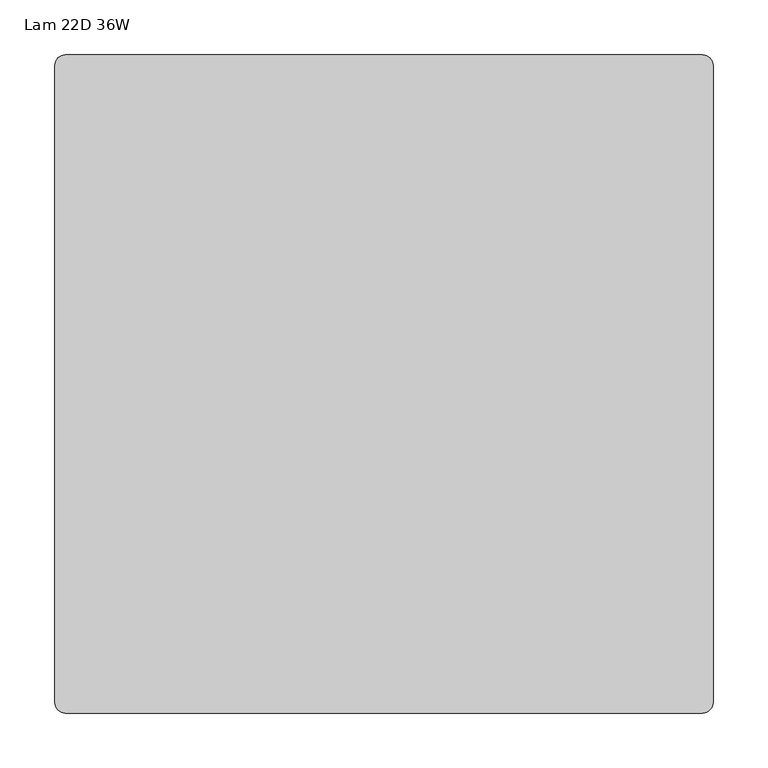
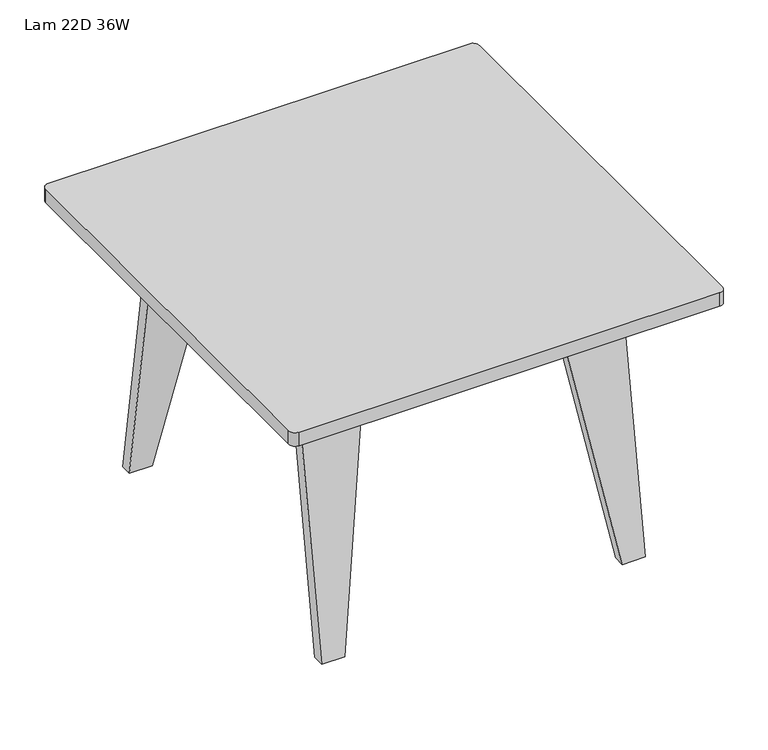
"""IFC4 building model written with IfcOpenShell, lengths in millimetres: furniture geometry, Lam 22D 36W."""

from ifc_helpers import new_model, si_unit, point, frame, frame_2d, origin, place, context, project, spatial, polyline, circle_curve, ellipse_curve, trimmed, segment, composite_curve, outline, extrude, source, transform, mapped, element, save
from ifc_brep_helpers import plane_surface, cylinder_surface, revolved_surface, advanced_brep


def lam_22d_36w_e40c33cb(model_context):
    return source(origin(), model_context, "Body", "SolidModel", [
        advanced_brep(
        [(192.05, -238.125, 0.0), (142.0421882, -190.6022443, 300.0468708), (134.9, -140.4276766, 342.9), (134.9, 140.4276766, 342.9), (142.0421882, 190.6022443, 300.0468708), (192.05, 238.125, 0.0), (192.05, 221.9235331, 0.0), (142.4593989, 174.7972555, 297.5436065), (137.567, 140.4276766, 326.898), (137.567, -140.4276766, 326.898), (142.4593989, -174.7972555, 297.5436065), (192.05, -221.9235331, 0.0), (223.8, -221.9235331, 0.0), (223.8, -174.7972555, 297.5436065), (223.8, -140.4276766, 326.898), (223.8, 140.4276766, 326.898), (223.8, 174.7972555, 297.5436065), (223.8, 221.9235331, 0.0), (223.8, 238.125, 0.0), (223.8, 190.6022443, 300.0468708), (223.8, 140.4276766, 342.9), (223.8, -140.4276766, 342.9), (223.8, -190.6022443, 300.0468708), (223.8, -238.125, 0.0)],
        [
            (0, 1),
            (1, 2, ellipse_curve(frame((143.3666667, -140.4276766, 292.1), z_axis=(-0.9863939238321776, 0.0, -0.16439898730515412), x_axis=(0.16439898730515426, 0.0, -0.9863939238321776)), 51.5007228, 50.8)),
            (2, 3),
            (3, 4, ellipse_curve(frame((143.3666667, 140.4276766, 292.1), z_axis=(-0.9863939238321776, 0.0, -0.16439898730515412), x_axis=(0.16439898730515426, 0.0, -0.9863939238321776)), 51.5007228, 50.8)),
            (4, 5),
            (5, 6),
            (6, 7),
            (7, 8, ellipse_curve(frame((143.3666667, 140.4276766, 292.1), z_axis=(0.9863939238321776, 0.0, 0.16439898730515412), x_axis=(-0.16439898730515426, 0.0, 0.9863939238321776)), 35.2779951, 34.798)),
            (8, 9),
            (9, 10, ellipse_curve(frame((143.3666667, -140.4276766, 292.1), z_axis=(0.9863939238321776, 0.0, 0.16439898730515412), x_axis=(-0.16439898730515426, 0.0, 0.9863939238321776)), 35.2779951, 34.798)),
            (10, 11),
            (11, 0),
            (12, 13),
            (13, 14, circle_curve(frame((223.8, -140.4276766, 292.1), z_axis=(-1.0, 0.0, 0.0), x_axis=(0.0, -1.0, 0.0)), 34.798)),
            (14, 15),
            (15, 16, circle_curve(frame((223.8, 140.4276766, 292.1), z_axis=(-1.0, 0.0, 0.0), x_axis=(0.0, -1.0, 0.0)), 34.798)),
            (16, 17),
            (17, 18),
            (18, 19),
            (19, 20, circle_curve(frame((223.8, 140.4276766, 292.1), z_axis=(1.0, 0.0, 0.0), x_axis=(0.0, -1.0, 0.0)), 50.8)),
            (20, 21),
            (21, 22, circle_curve(frame((223.8, -140.4276766, 292.1), z_axis=(1.0, 0.0, 0.0), x_axis=(0.0, -1.0, 0.0)), 50.8)),
            (22, 23),
            (23, 12),
            (23, 0),
            (11, 12),
            (22, 1),
            (21, 2),
            (20, 3),
            (19, 4),
            (18, 5),
            (17, 6),
            (16, 7),
            (15, 8),
            (14, 9),
            (13, 10),
        ],
        [
            plane_surface(frame((192.05, 300.0, 0.0), z_axis=(-0.9863939238321776, 0.0, -0.16439898730515412), x_axis=(0.0, -1.0, 0.0))),
            plane_surface(frame((223.8, -238.125, 0.0), z_axis=(1.0, 0.0, 0.0), x_axis=(0.0, -1.0, 0.0))),
            plane_surface(frame((223.8, -221.9235331, 0.0), z_axis=(0.0, 0.0, -1.0), x_axis=(-1.0, 0.0, 0.0))),
            plane_surface(frame((223.8, -238.125, 0.0), z_axis=(0.0, -0.9876883405951383, 0.15643446504022754), x_axis=(-1.0, 0.0, 0.0))),
            cylinder_surface(frame((134.9, -140.4276766, 292.1), z_axis=(1.0, 0.0, 0.0), x_axis=(0.0, -1.0, 0.0)), 50.8),
            plane_surface(frame((223.8, -140.4276766, 342.9), z_axis=(0.0, 0.0, 1.0), x_axis=(-1.0, 0.0, 0.0))),
            cylinder_surface(frame((134.9, 140.4276766, 292.1), z_axis=(1.0, 0.0, 0.0), x_axis=(0.0, -1.0, 0.0)), 50.8),
            plane_surface(frame((223.8, 190.6022443, 300.0468708), z_axis=(0.0, 0.9876883405951374, 0.15643446504023237), x_axis=(-1.0, 0.0, 0.0))),
            plane_surface(frame((223.8, 238.125, 0.0), z_axis=(0.0, 0.0, -1.0), x_axis=(-1.0, 0.0, 0.0))),
            plane_surface(frame((223.8, 221.9235331, 0.0), z_axis=(0.0, -0.9876883405951375, -0.15643446504023237), x_axis=(-1.0, 0.0, 0.0))),
            revolved_surface(polyline([(137.567, 105.62967660000001, 292.1), (223.8, 105.62967660000001, 292.1)]), (134.9, 140.4276766, 292.1), (-1.0, 0.0, 0.0)),
            plane_surface(frame((223.8, 140.4276766, 326.898), z_axis=(0.0, 0.0, -1.0), x_axis=(-1.0, 0.0, 0.0))),
            revolved_surface(polyline([(137.567, -175.2256766, 292.1), (223.8, -175.2256766, 292.1)]), (134.9, -140.4276766, 292.1), (-1.0, 0.0, 0.0)),
            plane_surface(frame((223.8, -174.7972555, 297.5436065), z_axis=(0.0, 0.9876883405951383, -0.1564344650402275), x_axis=(-1.0, 0.0, 0.0))),
        ],
        [
            (0, [[1, 2, 3, 4, 5, 6, 7, 8, 9, 10, 11, 12]]),
            (1, [[13, 14, 15, 16, 17, 18, 19, 20, 21, 22, 23, 24]]),
            (2, [[25, -12, 26, -24]]),
            (3, [[27, -1, -25, -23]]),
            (4, [[28, -2, -27, -22]]),
            (5, [[29, -3, -28, -21]]),
            (6, [[30, -4, -29, -20]]),
            (7, [[31, -5, -30, -19]]),
            (8, [[32, -6, -31, -18]]),
            (9, [[33, -7, -32, -17]]),
            (10, [[34, -8, -33, -16]]),
            (11, [[35, -9, -34, -15]]),
            (12, [[36, -10, -35, -14]]),
            (13, [[-26, -11, -36, -13]]),
        ],
    ),
        advanced_brep(
        [(-223.8, -221.9235331, 0.0), (-223.8, -238.125, 0.0), (-223.8, -190.6022443, 300.0468708), (-223.8, -140.4276766, 342.9), (-223.8, 140.4276766, 342.9), (-223.8, 190.6022443, 300.0468708), (-223.8, 238.125, 0.0), (-223.8, 221.9235331, 0.0), (-223.8, 174.7972555, 297.5436065), (-223.8, 140.4276766, 326.898), (-223.8, -140.4276766, 326.898), (-223.8, -174.7972555, 297.5436065), (-192.05, -221.9235331, 0.0), (-192.05, -238.125, 0.0), (-142.0421882, -190.6022443, 300.0468708), (-134.9, -140.4276766, 342.9), (-134.9, 140.4276766, 342.9), (-142.0421882, 190.6022443, 300.0468708), (-192.05, 238.125, 0.0), (-192.05, 221.9235331, 0.0), (-142.4593989, 174.7972555, 297.5436065), (-137.567, 140.4276766, 326.898), (-137.567, -140.4276766, 326.898), (-142.4593989, -174.7972555, 297.5436065)],
        [
            (0, 1),
            (1, 2),
            (2, 3, circle_curve(frame((-223.8, -140.4276766, 292.1), z_axis=(-1.0, 0.0, 0.0), x_axis=(0.0, -1.0, 0.0)), 50.8)),
            (3, 4),
            (4, 5, circle_curve(frame((-223.8, 140.4276766, 292.1), z_axis=(-1.0, 0.0, 0.0), x_axis=(0.0, -1.0, 0.0)), 50.8)),
            (5, 6),
            (6, 7),
            (7, 8),
            (8, 9, circle_curve(frame((-223.8, 140.4276766, 292.1), z_axis=(1.0, 0.0, 0.0), x_axis=(0.0, -1.0, 0.0)), 34.798)),
            (9, 10),
            (10, 11, circle_curve(frame((-223.8, -140.4276766, 292.1), z_axis=(1.0, 0.0, 0.0), x_axis=(0.0, -1.0, 0.0)), 34.798)),
            (11, 0),
            (0, 12),
            (12, 13),
            (13, 1),
            (13, 14),
            (14, 2),
            (14, 15, ellipse_curve(frame((-143.3666667, -140.4276766, 292.1), z_axis=(-0.986393923832184, 0.0, 0.1643989873051155), x_axis=(0.1643989873051152, 0.0, 0.9863939238321839)), 51.5007228, 50.8)),
            (15, 3),
            (15, 16),
            (16, 4),
            (16, 17, ellipse_curve(frame((-143.3666667, 140.4276766, 292.1), z_axis=(-0.986393923832184, 0.0, 0.1643989873051155), x_axis=(0.1643989873051152, 0.0, 0.9863939238321839)), 51.5007228, 50.8)),
            (17, 5),
            (17, 18),
            (18, 6),
            (18, 19),
            (19, 7),
            (19, 20),
            (20, 8),
            (20, 21, ellipse_curve(frame((-143.3666667, 140.4276766, 292.1), z_axis=(0.986393923832184, 0.0, -0.1643989873051155), x_axis=(-0.1643989873051152, 0.0, -0.9863939238321839)), 35.2779951, 34.798)),
            (21, 9),
            (21, 22),
            (22, 10),
            (22, 23, ellipse_curve(frame((-143.3666667, -140.4276766, 292.1), z_axis=(0.986393923832184, 0.0, -0.1643989873051155), x_axis=(-0.1643989873051152, 0.0, -0.9863939238321839)), 35.2779951, 34.798)),
            (23, 11),
            (23, 12),
        ],
        [
            plane_surface(frame((-223.8, -238.125, 0.0), z_axis=(-1.0, 0.0, 0.0), x_axis=(0.0, 1.0, 0.0))),
            plane_surface(frame((-134.9, -221.9235331, 0.0), z_axis=(0.0, 0.0, -1.0), x_axis=(-1.0, 0.0, 0.0))),
            plane_surface(frame((-134.9, -238.125, 0.0), z_axis=(0.0, -0.9876883405951383, 0.1564344650402276), x_axis=(-1.0, 0.0, 0.0))),
            cylinder_surface(frame((-223.8, -140.4276766, 292.1), z_axis=(1.0, 0.0, 0.0), x_axis=(0.0, -1.0, 0.0)), 50.8),
            plane_surface(frame((-134.9, -140.4276766, 342.9), z_axis=(0.0, 0.0, 1.0), x_axis=(-1.0, 0.0, 0.0))),
            cylinder_surface(frame((-223.8, 140.4276766, 292.1), z_axis=(1.0, 0.0, 0.0), x_axis=(0.0, -1.0, 0.0)), 50.8),
            plane_surface(frame((-134.9, 190.6022443, 300.0468708), z_axis=(0.0, 0.9876883405951375, 0.15643446504023226), x_axis=(-1.0, 0.0, 0.0))),
            plane_surface(frame((-134.9, 238.125, 0.0), z_axis=(0.0, 0.0, -1.0), x_axis=(-1.0, 0.0, 0.0))),
            plane_surface(frame((-134.9, 221.9235331, 0.0), z_axis=(0.0, -0.9876883405951375, -0.15643446504023217), x_axis=(-1.0, 0.0, 0.0))),
            revolved_surface(polyline([(-223.8, 105.62967660000001, 292.1), (-137.567, 105.62967660000001, 292.1)]), (-223.8, 140.4276766, 292.1), (-1.0, 0.0, 0.0)),
            plane_surface(frame((-134.9, 140.4276766, 326.898), z_axis=(0.0, 0.0, -1.0), x_axis=(-1.0, 0.0, 0.0))),
            revolved_surface(polyline([(-223.8, -175.2256766, 292.1), (-137.567, -175.2256766, 292.1)]), (-223.8, -140.4276766, 292.1), (-1.0, 0.0, 0.0)),
            plane_surface(frame((-134.9, -174.7972555, 297.5436065), z_axis=(0.0, 0.9876883405951383, -0.15643446504022748), x_axis=(-1.0, 0.0, 0.0))),
            plane_surface(frame((-134.9, 300.0, 342.9), z_axis=(0.986393923832184, 0.0, -0.1643989873051155), x_axis=(0.0, -1.0, 0.0))),
        ],
        [
            (0, [[1, 2, 3, 4, 5, 6, 7, 8, 9, 10, 11, 12]]),
            (1, [[13, 14, 15, -1]]),
            (2, [[-15, 16, 17, -2]]),
            (3, [[-17, 18, 19, -3]]),
            (4, [[-19, 20, 21, -4]]),
            (5, [[-21, 22, 23, -5]]),
            (6, [[-23, 24, 25, -6]]),
            (7, [[-25, 26, 27, -7]]),
            (8, [[-27, 28, 29, -8]]),
            (9, [[-29, 30, 31, -9]]),
            (10, [[-31, 32, 33, -10]]),
            (11, [[-33, 34, 35, -11]]),
            (12, [[-35, 36, -13, -12]]),
            (13, [[-36, -34, -32, -30, -28, -26, -24, -22, -20, -18, -16, -14]]),
        ],
    ),
        extrude(outline(polyline([(-141.25, -101.6), (-217.45, -101.6), (-217.45, 101.6), (-141.25, 101.6), (-141.25, -101.6)])), frame((0.0, 0.0, 342.9), z_axis=(0.0, 0.0, 1.0), x_axis=(1.0, 0.0, 0.0)), (0.0, 0.0, 1.0), 18.3388),
        extrude(outline(polyline([(141.25, -101.6), (141.25, 101.6), (217.45, 101.6), (217.45, -101.6), (141.25, -101.6)])), frame((0.0, 0.0, 342.9), z_axis=(0.0, 0.0, 1.0), x_axis=(1.0, 0.0, 0.0)), (0.0, 0.0, 1.0), 18.3388),
        extrude(outline(polyline([(217.45, -225.425), (-217.45, -225.425), (-217.45, 225.425), (217.45, 225.425), (217.45, -225.425)]), holes=[polyline([(-141.25, 165.1), (-141.25, -165.1), (141.25, -165.1), (141.25, 165.1), (-141.25, 165.1)])]), frame((0.0, 0.0, 361.2388), z_axis=(0.0, 0.0, 1.0), x_axis=(1.0, 0.0, 0.0)), (0.0, 0.0, 1.0), 19.05),
        extrude(outline(composite_curve([segment(polyline([(290.348, -300.0), (-290.348, -300.0)]), True, "CONTINUOUS"), segment(trimmed(circle_curve(frame_2d((-290.348, -290.348)), 9.652), [point((-290.348, -300.0))], [point((-300.0, -290.348))], False, "CARTESIAN"), True, "CONTINUOUS"), segment(polyline([(-300.0, -290.348), (-300.0, 290.348)]), True, "CONTINUOUS"), segment(trimmed(circle_curve(frame_2d((-290.348, 290.348)), 9.652), [point((-300.0, 290.348))], [point((-290.348, 300.0))], False, "CARTESIAN"), True, "CONTINUOUS"), segment(polyline([(-290.348, 300.0), (290.348, 300.0)]), True, "CONTINUOUS"), segment(trimmed(circle_curve(frame_2d((290.348, 290.348)), 9.652), [point((290.348, 300.0))], [point((300.0, 290.348))], False, "CARTESIAN"), True, "CONTINUOUS"), segment(polyline([(300.0, 290.348), (300.0, -290.348)]), True, "CONTINUOUS"), segment(trimmed(circle_curve(frame_2d((290.348, -290.348)), 9.652), [point((300.0, -290.348))], [point((290.348, -300.0))], False, "CARTESIAN"), True, "CONTINUOUS")], self_intersect=False)), frame((0.0, 0.0, 380.2888), z_axis=(0.0, 0.0, 1.0), x_axis=(1.0, 0.0, 0.0)), (0.0, 0.0, 1.0), 19.7612),
    ])


if __name__ == "__main__":
    model = new_model("IFC4")
    model_context = context("Model", 3, world=origin())
    ifc_project = project(units=[si_unit("LENGTHUNIT", "METRE", prefix="MILLI")], contexts=[model_context])
    site = spatial("IfcSite", under=ifc_project)
    building = spatial("IfcBuilding", under=site)
    placement = place(None, origin())
    lam_22d_36w_shape = lam_22d_36w_e40c33cb(model_context)
    element("IfcFurniture", 1, ObjectType="Lam 22D 36W", at=placement, inside=building, context=model_context, shape_type="MappedRepresentation", body=[
        mapped(lam_22d_36w_shape, transform((0.0, 0.0, 0.0), x_axis=(1.0, 0.0, 0.0), y_axis=(0.0, 1.0, 0.0), z_axis=(0.0, 0.0, 1.0))),
    ])
    save(model, "model.ifc")
